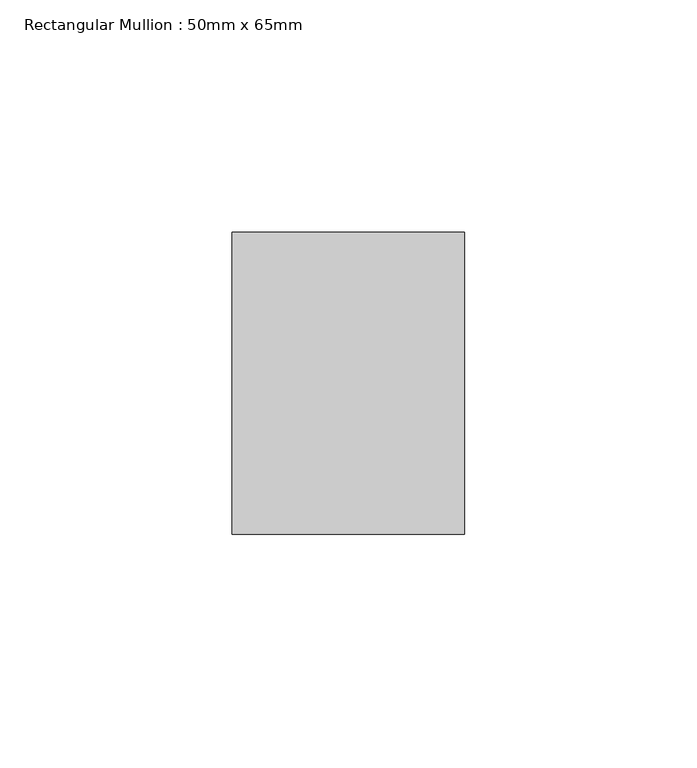
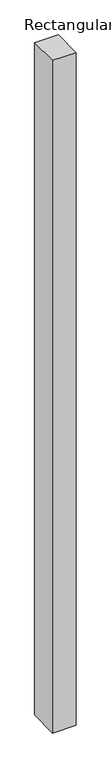
"""IFC4 building model written with IfcOpenShell, lengths in millimetres: member geometry, Rectangular Mullion : 50mm x 65mm."""

from ifc_helpers import new_model, si_unit, frame, origin, place, context, project, spatial, polyline, outline, extrude, source, transform, mapped, element, save


def rectangular_mullion_50mm_x_65mm_a0ad4a23(model_context):
    return source(origin(), model_context, "Body", "SweptSolid", [
        extrude(outline(polyline([(-32.5, 0.0), (32.5, 0.0), (32.5, -1499.3972761), (-32.5, -1500.6017092), (-32.5, 0.0)])), frame((-25.0, 0.0, 0.0), z_axis=(1.0, 0.0, 0.0), x_axis=(0.0, 1.0, 0.0)), (0.0, 0.0, 1.0), 50.0),
    ])


if __name__ == "__main__":
    model = new_model("IFC4")
    model_context = context("Model", 3, world=origin())
    ifc_project = project(units=[si_unit("LENGTHUNIT", "METRE", prefix="MILLI")], contexts=[model_context])
    site = spatial("IfcSite", under=ifc_project)
    building = spatial("IfcBuilding", under=site)
    placement = place(None, origin())
    rectangular_mullion_50mm_x_65mm_shape = rectangular_mullion_50mm_x_65mm_a0ad4a23(model_context)
    element("IfcMember", 1, ObjectType="Rectangular Mullion : 50mm x 65mm", at=placement, inside=building, context=model_context, shape_type="MappedRepresentation", body=[
        mapped(rectangular_mullion_50mm_x_65mm_shape, transform((0.0, 0.0, 0.0), x_axis=(1.0, 0.0, 0.0), y_axis=(0.0, 1.0, 0.0), z_axis=(0.0, 0.0, 1.0))),
    ])
    save(model, "model.ifc")
